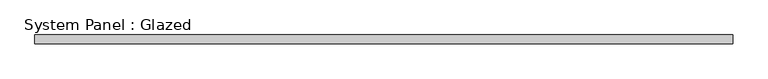
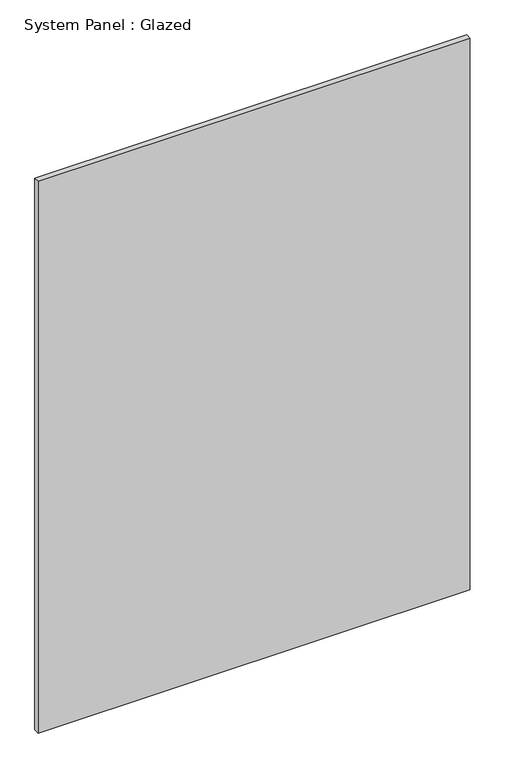
"""IFC4 building model written with IfcOpenShell, lengths in millimetres: plate geometry, System Panel : Glazed."""

from ifc_helpers import new_model, si_unit, origin, origin_with_axes, place, context, project, spatial, polyline, outline, extrude, source, transform, mapped, element, save


def system_panel_glazed_f1305f24(model_context):
    return source(origin(), model_context, "Body", "SweptSolid", [
        extrude(outline(polyline([(1000.0, 24.5), (-1000.0, 24.5), (-1000.0, 49.5), (1000.0, 49.5), (1000.0, 24.5)])), origin_with_axes(), (0.0, 0.0, 1.0), 2700.0),
    ])


if __name__ == "__main__":
    model = new_model("IFC4")
    model_context = context("Model", 3, world=origin())
    ifc_project = project(units=[si_unit("LENGTHUNIT", "METRE", prefix="MILLI")], contexts=[model_context])
    site = spatial("IfcSite", under=ifc_project)
    building = spatial("IfcBuilding", under=site)
    placement = place(None, origin())
    system_panel_glazed_shape = system_panel_glazed_f1305f24(model_context)
    element("IfcPlate", 1, ObjectType="System Panel : Glazed", at=placement, inside=building, context=model_context, shape_type="MappedRepresentation", body=[
        mapped(system_panel_glazed_shape, transform((0.0, 0.0, 0.0), x_axis=(1.0, 0.0, 0.0), y_axis=(0.0, 1.0, 0.0), z_axis=(0.0, 0.0, 1.0))),
    ])
    save(model, "model.ifc")
